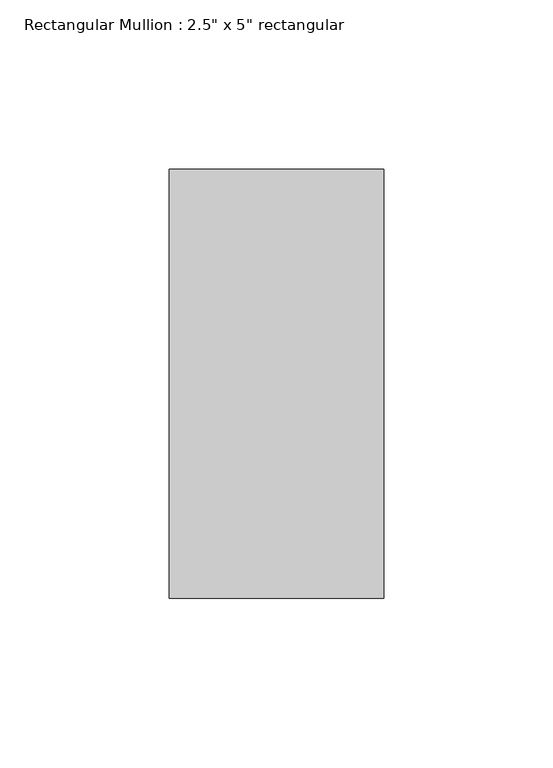
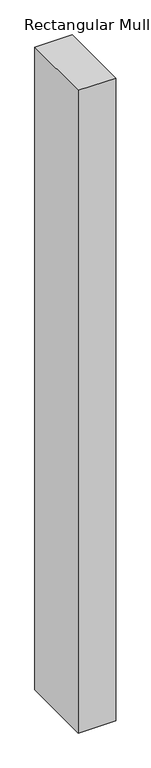
"""IFC4 building model written with IfcOpenShell, lengths in millimetres: member geometry."""

from ifc_helpers import new_model, si_unit, frame, origin, place, context, project, spatial, polyline, outline, extrude, source, transform, mapped, element, save


def member_29931d76(model_context):
    return source(origin(), model_context, "Body", "SweptSolid", [
        extrude(outline(polyline([(0.0, 63.5), (0.0, -63.5), (-63.5, -63.5), (-63.5, 63.5), (0.0, 63.5)])), frame((0.0, 0.0, -1148.0799999), z_axis=(0.0, 0.0, 1.0), x_axis=(1.0, 0.0, 0.0)), (0.0, 0.0, 1.0), 1148.0799999),
    ])


if __name__ == "__main__":
    model = new_model("IFC4")
    model_context = context("Model", 3, world=origin())
    ifc_project = project(units=[si_unit("LENGTHUNIT", "METRE", prefix="MILLI")], contexts=[model_context])
    site = spatial("IfcSite", under=ifc_project)
    building = spatial("IfcBuilding", under=site)
    placement = place(None, origin())
    member_shape = member_29931d76(model_context)
    element("IfcMember", 1, ObjectType="Rectangular Mullion : 2.5\" x 5\" rectangular", at=placement, inside=building, context=model_context, shape_type="MappedRepresentation", body=[
        mapped(member_shape, transform((0.0, 0.0, 0.0), x_axis=(1.0, 0.0, 0.0), y_axis=(0.0, 1.0, 0.0), z_axis=(0.0, 0.0, 1.0))),
    ])
    save(model, "model.ifc")
